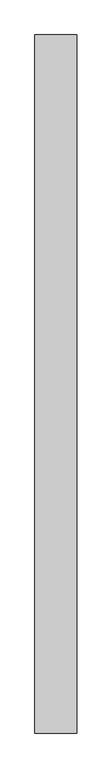
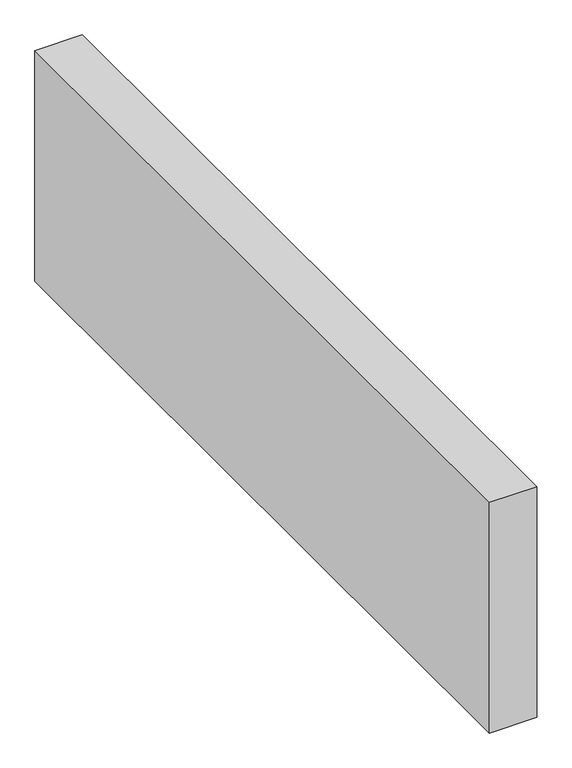
"""IFC4 building model written with IfcOpenShell, lengths in millimetres: proxy geometry."""

from ifc_helpers import new_model, si_unit, origin, origin_with_axes, place, context, project, spatial, polyline, outline, extrude, source, transform, mapped, element, save


def generic_models_37be735b(model_context):
    return source(origin(), model_context, "Body", "SweptSolid", [
        extrude(outline(polyline([(150.0, 2504.2738982), (150.0, 0.0), (0.0, 0.0), (0.0, 2504.2738982), (150.0, 2504.2738982)])), origin_with_axes(), (0.0, 0.0, 1.0), 776.6553396),
    ])


if __name__ == "__main__":
    model = new_model("IFC4")
    model_context = context("Model", 3, world=origin())
    ifc_project = project(units=[si_unit("LENGTHUNIT", "METRE", prefix="MILLI")], contexts=[model_context])
    site = spatial("IfcSite", under=ifc_project)
    building = spatial("IfcBuilding", under=site)
    placement = place(None, origin())
    generic_models_shape = generic_models_37be735b(model_context)
    element("IfcBuildingElementProxy", 1, Name="Generic Models", at=placement, inside=building, context=model_context, shape_type="MappedRepresentation", body=[
        mapped(generic_models_shape, transform((0.0, 0.0, 0.0), x_axis=(1.0, 0.0, 0.0), y_axis=(0.0, 1.0, 0.0), z_axis=(0.0, 0.0, 1.0))),
    ])
    save(model, "model.ifc")
